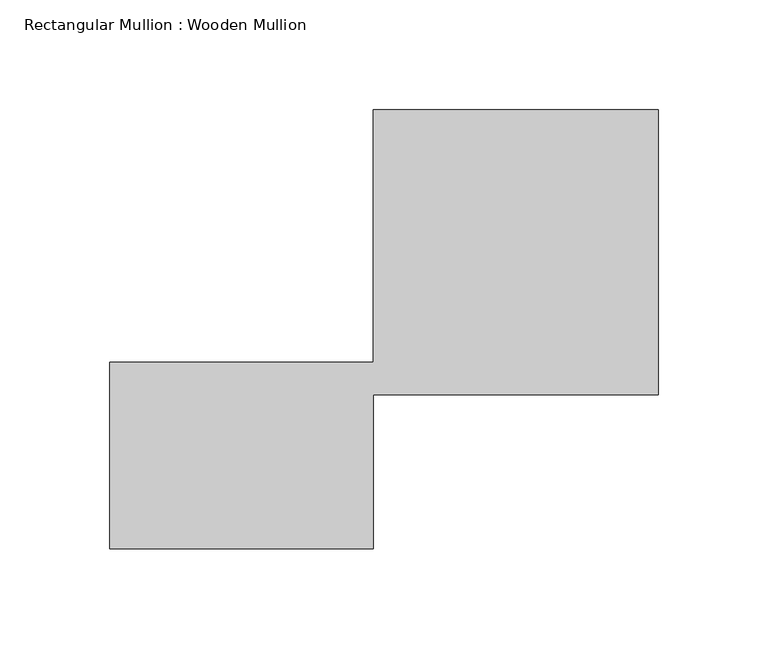
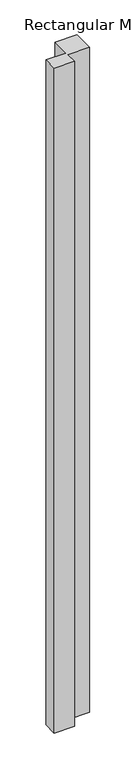
"""IFC4 building model written with IfcOpenShell, lengths in millimetres: member geometry, Rectangular Mullion : Wooden Mullion."""

from ifc_helpers import new_model, si_unit, frame, origin, place, context, project, spatial, polyline, outline, extrude, source, transform, mapped, element, save


def rectangular_mullion_wooden_mullion_b58ddf41(model_context):
    return source(origin(), model_context, "Body", "SweptSolid", [
        extrude(outline(polyline([(74.8100006, -26.0137344), (-45.1899994, -26.0137344), (-45.1899994, 58.9862656), (74.8100006, 58.9862656), (74.8100006, 173.9862656), (204.8100006, 173.9862656), (204.8100006, 43.9862656), (74.8100006, 43.9862656), (74.8100006, -26.0137344)])), frame((0.0, 0.0, -4171.6738024), z_axis=(0.0, 0.0, 1.0), x_axis=(1.0, 0.0, 0.0)), (0.0, 0.0, 1.0), 4171.6738024),
    ])


if __name__ == "__main__":
    model = new_model("IFC4")
    model_context = context("Model", 3, world=origin())
    ifc_project = project(units=[si_unit("LENGTHUNIT", "METRE", prefix="MILLI")], contexts=[model_context])
    site = spatial("IfcSite", under=ifc_project)
    building = spatial("IfcBuilding", under=site)
    placement = place(None, origin())
    rectangular_mullion_wooden_mullion_shape = rectangular_mullion_wooden_mullion_b58ddf41(model_context)
    element("IfcMember", 1, ObjectType="Rectangular Mullion : Wooden Mullion", at=placement, inside=building, context=model_context, shape_type="MappedRepresentation", body=[
        mapped(rectangular_mullion_wooden_mullion_shape, transform((0.0, 0.0, 0.0), x_axis=(1.0, 0.0, 0.0), y_axis=(0.0, 1.0, 0.0), z_axis=(0.0, 0.0, 1.0))),
    ])
    save(model, "model.ifc")
